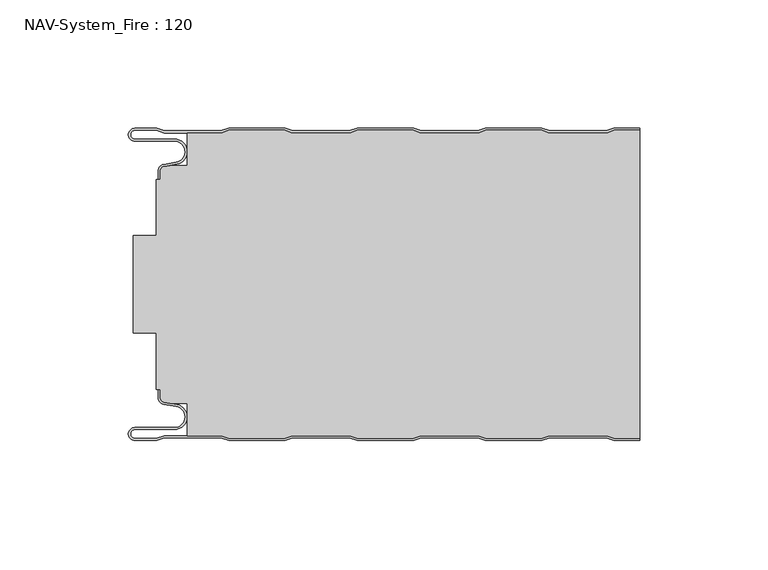
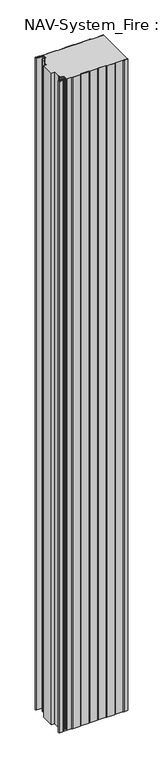
"""IFC4 building model written with IfcOpenShell, lengths in millimetres: plate geometry, NAV-System_Fire : 120."""

from ifc_helpers import new_model, si_unit, point, frame, frame_2d, origin, origin_with_axes, place, context, project, spatial, polyline, circle_curve, trimmed, segment, composite_curve, outline, extrude, source, transform, mapped, element, save
from ifc_brep_helpers import plane_surface, cylinder_surface, revolved_surface, advanced_brep


def nav_system_fire_120_9a84f2b2(model_context):
    return source(origin(), model_context, "Body", "SolidModel", [
        extrude(outline(composite_curve([segment(polyline([(89.6298221, -120.8), (86.6298221, -119.8), (64.3701779, -119.8), (61.3701779, -120.8), (39.6298221, -120.8), (36.6298221, -119.8), (14.3701779, -119.8), (11.3701779, -120.8), (-10.3701779, -120.8), (-13.3701779, -119.8), (-35.6298221, -119.8), (-38.6298221, -120.8), (-60.3701779, -120.8), (-63.3701779, -119.8), (-76.6602086, -119.8), (-76.6602086, -107.1656781), (-83.1774762, -107.1656781), (-85.6125665, -106.7363058)]), True, "CONTINUOUS"), segment(trimmed(circle_curve(frame_2d((-85.2999995, -104.963651)), 1.8000009), [point((-85.6125665, -106.7363058))], [point((-87.1000004, -104.963651))], False, "CARTESIAN"), True, "CONTINUOUS"), segment(polyline([(-87.1000004, -104.963651), (-87.1000004, -101.6488001), (-88.6500495, -101.6488001), (-88.6500495, -79.8), (-97.6527105, -79.8), (-97.6527105, -41.8), (-88.6502227, -41.8), (-88.6502227, -19.9512003), (-87.1000004, -19.9512003), (-87.1000004, -16.6387681)]), True, "CONTINUOUS"), segment(trimmed(circle_curve(frame_2d((-85.2999995, -16.6387681)), 1.8000009), [point((-87.1000004, -16.6387681))], [point((-85.6125665, -14.8661133))], False, "CARTESIAN"), True, "CONTINUOUS"), segment(polyline([(-85.6125665, -14.8661133), (-83.1774762, -14.436741), (-76.6602086, -14.436741), (-76.6602086, -1.8), (-63.3701779, -1.8), (-60.3701779, -0.8), (-38.6298221, -0.8), (-35.6298221, -1.8), (-13.3701779, -1.8), (-10.3701779, -0.8), (11.3701779, -0.8), (14.3701779, -1.8), (36.6298221, -1.8), (39.6298221, -0.8), (61.3701779, -0.8), (64.3701779, -1.8), (86.6298221, -1.8), (89.6298221, -0.8), (99.5, -0.8), (99.5, -120.8), (89.6298221, -120.8)]), True, "CONTINUOUS")], self_intersect=False)), origin_with_axes(), (0.0, 0.0, 1.0), 2000.0),
        advanced_brep(
        [(-88.6298221, -0.8, 0.0), (-97.0000001, -0.8, 0.0), (-97.0000001, -4.1999999, 0.0), (-81.6002086, -4.1999999, 0.0), (-80.7423864, -14.0049502, 0.0), (-85.6125665, -14.8636946, 0.0), (-87.1000004, -16.6363494, 0.0), (-87.1000014, -19.9421291, 0.0), (-87.9000014, -19.9421291, 0.0), (-87.9000014, -16.6363484, 0.0), (-85.7514853, -14.0758488, 0.0), (-80.8813015, -13.217104, 0.0), (-81.600205, -4.9999999, 0.0), (-97.0000001, -4.9999999, 0.0), (-97.0000001, 0.0, 0.0), (-88.5, 0.0, 0.0), (-85.5, -1.0, 0.0), (-63.5, -1.0, 0.0), (-60.5, 0.0, 0.0), (-38.5, 0.0, 0.0), (-35.5, -1.0, 0.0), (-13.5, -1.0, 0.0), (-10.5, 0.0, 0.0), (11.5, 0.0, 0.0), (14.5, -1.0, 0.0), (36.5, -1.0, 0.0), (39.5, 0.0, 0.0), (61.5, 0.0, 0.0), (64.5, -1.0, 0.0), (86.5, -1.0, 0.0), (89.5, 0.0, 0.0), (99.5, 0.0, 0.0), (99.5, -0.8, 0.0), (89.6298221, -0.8, 0.0), (86.6298221, -1.8, 0.0), (64.3701779, -1.8, 0.0), (61.3701779, -0.8, 0.0), (39.6298221, -0.8, 0.0), (36.6298221, -1.8, 0.0), (14.3701779, -1.8, 0.0), (11.3701779, -0.8, 0.0), (-10.3701779, -0.8, 0.0), (-13.3701779, -1.8, 0.0), (-35.6298221, -1.8, 0.0), (-38.6298221, -0.8, 0.0), (-60.3701779, -0.8, 0.0), (-63.3701779, -1.8, 0.0), (-85.6298221, -1.8, 0.0), (-88.6298221, -0.8, 2000.0), (-85.6298221, -1.8, 2000.0), (-63.3701779, -1.8, 2000.0), (-60.3701779, -0.8, 2000.0), (-38.6298221, -0.8, 2000.0), (-35.6298221, -1.8, 2000.0), (-13.3701779, -1.8, 2000.0), (-10.3701779, -0.8, 2000.0), (11.3701779, -0.8, 2000.0), (14.3701779, -1.8, 2000.0), (36.6298221, -1.8, 2000.0), (39.6298221, -0.8, 2000.0), (61.3701779, -0.8, 2000.0), (64.3701779, -1.8, 2000.0), (86.6298221, -1.8, 2000.0), (89.6298221, -0.8, 2000.0), (99.5, -0.8, 2000.0), (99.5, 0.0, 2000.0), (89.5, 0.0, 2000.0), (86.5, -1.0, 2000.0), (64.5, -1.0, 2000.0), (61.5, 0.0, 2000.0), (39.5, 0.0, 2000.0), (36.5, -1.0, 2000.0), (14.5, -1.0, 2000.0), (11.5, 0.0, 2000.0), (-10.5, 0.0, 2000.0), (-13.5, -1.0, 2000.0), (-35.5, -1.0, 2000.0), (-38.5, 0.0, 2000.0), (-60.5, 0.0, 2000.0), (-63.5, -1.0, 2000.0), (-85.5, -1.0, 2000.0), (-88.5, 0.0, 2000.0), (-97.0000001, 0.0, 2000.0), (-97.0000001, -4.9999999, 2000.0), (-81.600205, -4.9999999, 2000.0), (-80.8813015, -13.217104, 2000.0), (-85.7514853, -14.0758488, 2000.0), (-87.8999997, -16.6363484, 2000.0), (-87.9000014, -19.9421291, 2000.0), (-87.1000014, -19.9421291, 2000.0), (-87.1000014, -16.6363494, 2000.0), (-85.6125665, -14.8636946, 2000.0), (-80.7423864, -14.0049502, 2000.0), (-81.6002086, -4.1999999, 2000.0), (-97.0000001, -4.1999999, 2000.0), (-97.0000001, -0.8000002, 2000.0)],
        [
            (0, 1),
            (1, 2, circle_curve(frame((-97.0000001, -2.5, 0.0), z_axis=(0.0, 0.0, 1.0), x_axis=(1.0, 0.0, 0.0)), 1.6999999)),
            (2, 3),
            (3, 4, circle_curve(frame((-81.6002086, -9.1399999, 0.0), z_axis=(0.0, 0.0, -1.0), x_axis=(1.0, 0.0, 0.0)), 4.94)),
            (4, 5),
            (5, 6, circle_curve(frame((-85.2999995, -16.6363494, 0.0), z_axis=(0.0, 0.0, 1.0), x_axis=(1.0, 0.0, 0.0)), 1.8000009)),
            (6, 7),
            (7, 8),
            (8, 9),
            (9, 10, circle_curve(frame((-85.3000002, -16.6363484, 0.0), z_axis=(0.0, 0.0, -1.0), x_axis=(1.0, 0.0, 0.0)), 2.5999995)),
            (10, 11),
            (11, 12, circle_curve(frame((-81.600205, -9.1399999, 0.0), z_axis=(0.0, 0.0, 1.0), x_axis=(1.0, 0.0, 0.0)), 4.14)),
            (12, 13),
            (13, 14, circle_curve(frame((-97.0000001, -2.4999999, 0.0), z_axis=(0.0, 0.0, -1.0), x_axis=(1.0, 0.0, 0.0)), 2.4999999)),
            (14, 15),
            (15, 16),
            (16, 17),
            (17, 18),
            (18, 19),
            (19, 20),
            (20, 21),
            (21, 22),
            (22, 23),
            (23, 24),
            (24, 25),
            (25, 26),
            (26, 27),
            (27, 28),
            (28, 29),
            (29, 30),
            (30, 31),
            (31, 32),
            (32, 33),
            (33, 34),
            (34, 35),
            (35, 36),
            (36, 37),
            (37, 38),
            (38, 39),
            (39, 40),
            (40, 41),
            (41, 42),
            (42, 43),
            (43, 44),
            (44, 45),
            (45, 46),
            (46, 47),
            (47, 0),
            (48, 49),
            (49, 50),
            (50, 51),
            (51, 52),
            (52, 53),
            (53, 54),
            (54, 55),
            (55, 56),
            (56, 57),
            (57, 58),
            (58, 59),
            (59, 60),
            (60, 61),
            (61, 62),
            (62, 63),
            (63, 64),
            (64, 65),
            (65, 66),
            (66, 67),
            (67, 68),
            (68, 69),
            (69, 70),
            (70, 71),
            (71, 72),
            (72, 73),
            (73, 74),
            (74, 75),
            (75, 76),
            (76, 77),
            (77, 78),
            (78, 79),
            (79, 80),
            (80, 81),
            (81, 82),
            (82, 83, circle_curve(frame((-97.0000001, -2.4999999, 2000.0), z_axis=(0.0, 0.0, 1.0), x_axis=(1.0, 0.0, 0.0)), 2.4999999)),
            (83, 84),
            (84, 85, circle_curve(frame((-81.600205, -9.1399999, 2000.0), z_axis=(0.0, 0.0, -1.0), x_axis=(1.0, 0.0, 0.0)), 4.14)),
            (85, 86),
            (86, 87, circle_curve(frame((-85.3000002, -16.6363484, 2000.0), z_axis=(0.0, 0.0, 1.0), x_axis=(1.0, 0.0, 0.0)), 2.5999995)),
            (87, 88),
            (88, 89),
            (89, 90),
            (90, 91, circle_curve(frame((-85.2999995, -16.6363494, 2000.0), z_axis=(0.0, 0.0, -1.0), x_axis=(1.0, 0.0, 0.0)), 1.8000009)),
            (91, 92),
            (92, 93, circle_curve(frame((-81.6002086, -9.1399999, 2000.0), z_axis=(0.0, 0.0, 1.0), x_axis=(1.0, 0.0, 0.0)), 4.94)),
            (93, 94),
            (94, 95, circle_curve(frame((-97.0000001, -2.5, 2000.0), z_axis=(0.0, 0.0, -1.0), x_axis=(1.0, 0.0, 0.0)), 1.6999999)),
            (95, 48),
            (0, 48),
            (95, 1),
            (14, 82),
            (81, 15),
            (63, 33),
            (32, 64),
            (62, 34),
            (61, 35),
            (60, 36),
            (59, 37),
            (58, 38),
            (57, 39),
            (56, 40),
            (55, 41),
            (54, 42),
            (53, 43),
            (52, 44),
            (51, 45),
            (50, 46),
            (49, 47),
            (80, 16),
            (79, 17),
            (78, 18),
            (77, 19),
            (76, 20),
            (75, 21),
            (74, 22),
            (73, 23),
            (72, 24),
            (71, 25),
            (70, 26),
            (69, 27),
            (68, 28),
            (67, 29),
            (66, 30),
            (65, 31),
            (2, 94),
            (93, 3),
            (6, 90),
            (89, 7),
            (88, 8),
            (87, 9),
            (12, 84),
            (83, 13),
            (92, 4),
            (91, 5),
            (86, 10),
            (85, 11),
        ],
        [
            plane_surface(frame((-99.5, 0.0, 0.0), z_axis=(0.0, 0.0, -1.0), x_axis=(0.0, -1.0, 0.0))),
            plane_surface(frame((-99.5, 0.0, 2000.0), z_axis=(0.0, 0.0, 1.0), x_axis=(0.0, -1.0, 0.0))),
            plane_surface(frame((-88.6298221, -0.8, 0.0), z_axis=(0.0, -1.0, 0.0), x_axis=(0.0, 0.0, 1.0))),
            plane_surface(frame((-97.0000001, 0.0, 0.0), z_axis=(0.0, 1.0, 0.0), x_axis=(0.0, 0.0, 1.0))),
            plane_surface(frame((111.3701779, -0.8, 0.0), z_axis=(0.0, -1.0, 0.0), x_axis=(0.0, 0.0, 1.0))),
            plane_surface(frame((89.6298221, -0.8, 0.0), z_axis=(0.3162277660167413, -0.9486832980505461, 0.0), x_axis=(0.0, 0.0, 1.0))),
            plane_surface(frame((86.6298221, -1.8, 0.0), z_axis=(0.0, -1.0, 0.0), x_axis=(0.0, 0.0, 1.0))),
            plane_surface(frame((64.3701779, -1.8, 0.0), z_axis=(-0.31622776601675356, -0.948683298050542, 0.0), x_axis=(0.0, 0.0, 1.0))),
            plane_surface(frame((61.3701779, -0.8, 0.0), z_axis=(0.0, -1.0, 0.0), x_axis=(0.0, 0.0, 1.0))),
            plane_surface(frame((39.6298221, -0.8, 0.0), z_axis=(0.31622776601679226, -0.9486832980505291, 0.0), x_axis=(0.0, 0.0, 1.0))),
            plane_surface(frame((36.6298221, -1.8, 0.0), z_axis=(0.0, -1.0, 0.0), x_axis=(0.0, 0.0, 1.0))),
            plane_surface(frame((14.3701779, -1.8, 0.0), z_axis=(-0.3162277660168045, -0.948683298050525, 0.0), x_axis=(0.0, 0.0, 1.0))),
            plane_surface(frame((11.3701779, -0.8, 0.0), z_axis=(0.0, -1.0, 0.0), x_axis=(0.0, 0.0, 1.0))),
            plane_surface(frame((-10.3701779, -0.8, 0.0), z_axis=(0.31622776601679226, -0.9486832980505291, 0.0), x_axis=(0.0, 0.0, 1.0))),
            plane_surface(frame((-13.3701779, -1.8, 0.0), z_axis=(0.0, -1.0, 0.0), x_axis=(0.0, 0.0, 1.0))),
            plane_surface(frame((-35.6298221, -1.8, 0.0), z_axis=(-0.3162277660168045, -0.948683298050525, 0.0), x_axis=(0.0, 0.0, 1.0))),
            plane_surface(frame((-38.6298221, -0.8, 0.0), z_axis=(0.0, -1.0, 0.0), x_axis=(0.0, 0.0, 1.0))),
            plane_surface(frame((-60.3701779, -0.8, 0.0), z_axis=(0.3162277660167413, -0.9486832980505461, 0.0), x_axis=(0.0, 0.0, 1.0))),
            plane_surface(frame((-63.3701779, -1.8, 0.0), z_axis=(0.0, -1.0, 0.0), x_axis=(0.0, 0.0, 1.0))),
            plane_surface(frame((-85.6298221, -1.8, 0.0), z_axis=(-0.3162277660167413, -0.9486832980505461, 0.0), x_axis=(0.0, 0.0, 1.0))),
            plane_surface(frame((-88.5, 0.0, 0.0), z_axis=(0.31622776601671865, 0.9486832980505536, 0.0), x_axis=(0.0, 0.0, 1.0))),
            plane_surface(frame((-85.5, -1.0, 0.0), z_axis=(0.0, 1.0, 0.0), x_axis=(0.0, 0.0, 1.0))),
            plane_surface(frame((-63.5, -1.0, 0.0), z_axis=(-0.31622776601671865, 0.9486832980505536, 0.0), x_axis=(0.0, 0.0, 1.0))),
            plane_surface(frame((-60.5, 0.0, 0.0), z_axis=(0.0, 1.0, 0.0), x_axis=(0.0, 0.0, 1.0))),
            plane_surface(frame((-38.5, 0.0, 0.0), z_axis=(0.31622776601678754, 0.9486832980505306, 0.0), x_axis=(0.0, 0.0, 1.0))),
            plane_surface(frame((-35.5, -1.0, 0.0), z_axis=(0.0, 1.0, 0.0), x_axis=(0.0, 0.0, 1.0))),
            plane_surface(frame((-13.5, -1.0, 0.0), z_axis=(-0.3162277660167752, 0.9486832980505348, 0.0), x_axis=(0.0, 0.0, 1.0))),
            plane_surface(frame((-10.5, 0.0, 0.0), z_axis=(0.0, 1.0, 0.0), x_axis=(0.0, 0.0, 1.0))),
            plane_surface(frame((11.5, 0.0, 0.0), z_axis=(0.31622776601678754, 0.9486832980505306, 0.0), x_axis=(0.0, 0.0, 1.0))),
            plane_surface(frame((14.5, -1.0, 0.0), z_axis=(0.0, 1.0, 0.0), x_axis=(0.0, 0.0, 1.0))),
            plane_surface(frame((36.5, -1.0, 0.0), z_axis=(-0.3162277660167752, 0.9486832980505348, 0.0), x_axis=(0.0, 0.0, 1.0))),
            plane_surface(frame((39.5, 0.0, 0.0), z_axis=(0.0, 1.0, 0.0), x_axis=(0.0, 0.0, 1.0))),
            plane_surface(frame((61.5, 0.0, 0.0), z_axis=(0.3162277660167309, 0.9486832980505495, 0.0), x_axis=(0.0, 0.0, 1.0))),
            plane_surface(frame((64.5, -1.0, 0.0), z_axis=(0.0, 1.0, 0.0), x_axis=(0.0, 0.0, 1.0))),
            plane_surface(frame((86.5, -1.0, 0.0), z_axis=(-0.31622776601671865, 0.9486832980505536, 0.0), x_axis=(0.0, 0.0, 1.0))),
            plane_surface(frame((89.5, 0.0, 0.0), z_axis=(0.0, 1.0, 0.0), x_axis=(0.0, 0.0, 1.0))),
            plane_surface(frame((-97.0000001, -4.1999999, 0.0), z_axis=(0.0, 1.0, 0.0), x_axis=(0.0, 0.0, 1.0))),
            plane_surface(frame((-87.1000014, -16.6363494, 0.0), z_axis=(1.0, 0.0, 0.0), x_axis=(0.0, 0.0, 1.0))),
            plane_surface(frame((-87.1000014, -19.9421291, 0.0), z_axis=(0.0, -1.0, 0.0), x_axis=(0.0, 0.0, 1.0))),
            plane_surface(frame((-87.9000014, -19.9421291, 0.0), z_axis=(-1.0, 0.0, 0.0), x_axis=(0.0, 0.0, 1.0))),
            plane_surface(frame((-81.600205, -4.9999999, 0.0), z_axis=(0.0, -1.0, 0.0), x_axis=(0.0, 0.0, 1.0))),
            revolved_surface(polyline([(-95.3000002, -2.5, 2000.0), (-95.3000002, -2.5, 0.0)]), (-97.0000001, -2.5, 0.0), (0.0, 0.0, 1.0)),
            cylinder_surface(frame((-81.6002086, -9.1399999, 0.0), z_axis=(0.0, 0.0, -1.0), x_axis=(1.0, 0.0, 0.0)), 4.94),
            plane_surface(frame((-80.7423864, -14.0049502, 0.0), z_axis=(0.17364822279076972, -0.9848077450556567, 0.0), x_axis=(0.0, 0.0, 1.0))),
            revolved_surface(polyline([(-83.4999986, -16.6363494, 2000.0), (-83.4999986, -16.6363494, 0.0)]), (-85.2999995, -16.6363494, 0.0), (0.0, 0.0, 1.0)),
            cylinder_surface(frame((-85.3000002, -16.6363484, 0.0), z_axis=(0.0, 0.0, -1.0), x_axis=(1.0, 0.0, 0.0)), 2.5999995),
            plane_surface(frame((-85.7514853, -14.0758488, 0.0), z_axis=(-0.17364817295915452, 0.984807753842316, 0.0), x_axis=(0.0, 0.0, 1.0))),
            revolved_surface(polyline([(-77.460205, -9.1399999, 2000.0), (-77.460205, -9.1399999, 0.0)]), (-81.600205, -9.1399999, 0.0), (0.0, 0.0, 1.0)),
            cylinder_surface(frame((-97.0000001, -2.4999999, 0.0), z_axis=(0.0, 0.0, -1.0), x_axis=(1.0, 0.0, 0.0)), 2.4999999),
            plane_surface(frame((99.5, 100.0, 2000.0), z_axis=(1.0, 0.0, 0.0), x_axis=(0.0, 0.0, -1.0))),
        ],
        [
            (0, [[1, 2, 3, 4, 5, 6, 7, 8, 9, 10, 11, 12, 13, 14, 15, 16, 17, 18, 19, 20, 21, 22, 23, 24, 25, 26, 27, 28, 29, 30, 31, 32, 33, 34, 35, 36, 37, 38, 39, 40, 41, 42, 43, 44, 45, 46, 47, 48]]),
            (1, [[49, 50, 51, 52, 53, 54, 55, 56, 57, 58, 59, 60, 61, 62, 63, 64, 65, 66, 67, 68, 69, 70, 71, 72, 73, 74, 75, 76, 77, 78, 79, 80, 81, 82, 83, 84, 85, 86, 87, 88, 89, 90, 91, 92, 93, 94, 95, 96]]),
            (2, [[-1, 97, -96, 98]]),
            (3, [[-15, 99, -82, 100]]),
            (4, [[101, -33, 102, -64]]),
            (5, [[-34, -101, -63, 103]]),
            (6, [[-35, -103, -62, 104]]),
            (7, [[-36, -104, -61, 105]]),
            (8, [[-37, -105, -60, 106]]),
            (9, [[-38, -106, -59, 107]]),
            (10, [[-39, -107, -58, 108]]),
            (11, [[-40, -108, -57, 109]]),
            (12, [[-41, -109, -56, 110]]),
            (13, [[-42, -110, -55, 111]]),
            (14, [[-43, -111, -54, 112]]),
            (15, [[-44, -112, -53, 113]]),
            (16, [[-45, -113, -52, 114]]),
            (17, [[-46, -114, -51, 115]]),
            (18, [[-47, -115, -50, 116]]),
            (19, [[-48, -116, -49, -97]]),
            (20, [[-16, -100, -81, 117]]),
            (21, [[-17, -117, -80, 118]]),
            (22, [[-18, -118, -79, 119]]),
            (23, [[-19, -119, -78, 120]]),
            (24, [[-20, -120, -77, 121]]),
            (25, [[-21, -121, -76, 122]]),
            (26, [[-22, -122, -75, 123]]),
            (27, [[-23, -123, -74, 124]]),
            (28, [[-24, -124, -73, 125]]),
            (29, [[-25, -125, -72, 126]]),
            (30, [[-26, -126, -71, 127]]),
            (31, [[-27, -127, -70, 128]]),
            (32, [[-28, -128, -69, 129]]),
            (33, [[-29, -129, -68, 130]]),
            (34, [[-30, -130, -67, 131]]),
            (35, [[-131, -66, 132, -31]]),
            (36, [[-3, 133, -94, 134]]),
            (37, [[-7, 135, -90, 136]]),
            (38, [[-8, -136, -89, 137]]),
            (39, [[-9, -137, -88, 138]]),
            (40, [[-13, 139, -84, 140]]),
            (41, [[-2, -98, -95, -133]]),
            (42, [[-4, -134, -93, 141]]),
            (43, [[-5, -141, -92, 142]]),
            (44, [[-6, -142, -91, -135]]),
            (45, [[-10, -138, -87, 143]]),
            (46, [[-11, -143, -86, 144]]),
            (47, [[-12, -144, -85, -139]]),
            (48, [[-14, -140, -83, -99]]),
            (49, [[-32, -132, -65, -102]]),
        ],
    ),
        advanced_brep(
        [(-88.6298221, -120.8, 2000.0), (-97.0000001, -120.8, 2000.0), (-97.0000001, -117.4000001, 2000.0), (-81.6002086, -117.4000001, 2000.0), (-80.7423864, -107.5950498, 2000.0), (-85.6125665, -106.7363054, 2000.0), (-87.1000004, -104.9636506, 2000.0), (-87.1000014, -101.6578709, 2000.0), (-87.9000014, -101.6578709, 2000.0), (-87.9000014, -104.9636516, 2000.0), (-85.7514853, -107.5241512, 2000.0), (-80.8813015, -108.382896, 2000.0), (-81.600205, -116.6000001, 2000.0), (-97.0000001, -116.6000001, 2000.0), (-97.0000001, -121.6, 2000.0), (-88.5, -121.6, 2000.0), (-85.5, -120.6, 2000.0), (-63.5, -120.6, 2000.0), (-60.5, -121.6, 2000.0), (-38.5, -121.6, 2000.0), (-35.5, -120.6, 2000.0), (-13.5, -120.6, 2000.0), (-10.5, -121.6, 2000.0), (11.5, -121.6, 2000.0), (14.5, -120.6, 2000.0), (36.5, -120.6, 2000.0), (39.5, -121.6, 2000.0), (61.5, -121.6, 2000.0), (64.5, -120.6, 2000.0), (86.5, -120.6, 2000.0), (89.5, -121.6, 2000.0), (99.5, -121.6, 2000.0), (99.5, -120.8, 2000.0), (89.6298221, -120.8, 2000.0), (86.6298221, -119.8, 2000.0), (64.3701779, -119.8, 2000.0), (61.3701779, -120.8, 2000.0), (39.6298221, -120.8, 2000.0), (36.6298221, -119.8, 2000.0), (14.3701779, -119.8, 2000.0), (11.3701779, -120.8, 2000.0), (-10.3701779, -120.8, 2000.0), (-13.3701779, -119.8, 2000.0), (-35.6298221, -119.8, 2000.0), (-38.6298221, -120.8, 2000.0), (-60.3701779, -120.8, 2000.0), (-63.3701779, -119.8, 2000.0), (-85.6298221, -119.8, 2000.0), (-88.6298221, -120.8, 0.0), (-85.6298221, -119.8, 0.0), (-63.3701779, -119.8, 0.0), (-60.3701779, -120.8, 0.0), (-38.6298221, -120.8, 0.0), (-35.6298221, -119.8, 0.0), (-13.3701779, -119.8, 0.0), (-10.3701779, -120.8, 0.0), (11.3701779, -120.8, 0.0), (14.3701779, -119.8, 0.0), (36.6298221, -119.8, 0.0), (39.6298221, -120.8, 0.0), (61.3701779, -120.8, 0.0), (64.3701779, -119.8, 0.0), (86.6298221, -119.8, 0.0), (89.6298221, -120.8, 0.0), (99.5, -120.8, 0.0), (99.5, -121.6, 0.0), (89.5, -121.6, 0.0), (86.5, -120.6, 0.0), (64.5, -120.6, 0.0), (61.5, -121.6, 0.0), (39.5, -121.6, 0.0), (36.5, -120.6, 0.0), (14.5, -120.6, 0.0), (11.5, -121.6, 0.0), (-10.5, -121.6, 0.0), (-13.5, -120.6, 0.0), (-35.5, -120.6, 0.0), (-38.5, -121.6, 0.0), (-60.5, -121.6, 0.0), (-63.5, -120.6, 0.0), (-85.5, -120.6, 0.0), (-88.5, -121.6, 0.0), (-97.0000001, -121.6, 0.0), (-97.0000001, -116.6000001, 0.0), (-81.600205, -116.6000001, 0.0), (-80.8813015, -108.382896, 0.0), (-85.7514853, -107.5241512, 0.0), (-87.8999997, -104.9636516, 0.0), (-87.9000014, -101.6578709, 0.0), (-87.1000014, -101.6578709, 0.0), (-87.1000014, -104.9636506, 0.0), (-85.6125665, -106.7363054, 0.0), (-80.7423864, -107.5950498, 0.0), (-81.6002086, -117.4000001, 0.0), (-97.0000001, -117.4000001, 0.0), (-97.0000001, -120.7999998, 0.0)],
        [
            (0, 1),
            (1, 2, circle_curve(frame((-97.0000001, -119.1, 2000.0), z_axis=(0.0, 0.0, -1.0), x_axis=(1.0, 0.0, 0.0)), 1.6999999)),
            (2, 3),
            (3, 4, circle_curve(frame((-81.6002086, -112.4600001, 2000.0), z_axis=(0.0, 0.0, 1.0), x_axis=(1.0, 0.0, 0.0)), 4.94)),
            (4, 5),
            (5, 6, circle_curve(frame((-85.2999995, -104.9636506, 2000.0), z_axis=(0.0, 0.0, -1.0), x_axis=(1.0, 0.0, 0.0)), 1.8000009)),
            (6, 7),
            (7, 8),
            (8, 9),
            (9, 10, circle_curve(frame((-85.3000002, -104.9636516, 2000.0), z_axis=(0.0, 0.0, 1.0), x_axis=(1.0, 0.0, 0.0)), 2.5999995)),
            (10, 11),
            (11, 12, circle_curve(frame((-81.600205, -112.4600001, 2000.0), z_axis=(0.0, 0.0, -1.0), x_axis=(1.0, 0.0, 0.0)), 4.14)),
            (12, 13),
            (13, 14, circle_curve(frame((-97.0000001, -119.1000001, 2000.0), z_axis=(0.0, 0.0, 1.0), x_axis=(1.0, 0.0, 0.0)), 2.4999999)),
            (14, 15),
            (15, 16),
            (16, 17),
            (17, 18),
            (18, 19),
            (19, 20),
            (20, 21),
            (21, 22),
            (22, 23),
            (23, 24),
            (24, 25),
            (25, 26),
            (26, 27),
            (27, 28),
            (28, 29),
            (29, 30),
            (30, 31),
            (31, 32),
            (32, 33),
            (33, 34),
            (34, 35),
            (35, 36),
            (36, 37),
            (37, 38),
            (38, 39),
            (39, 40),
            (40, 41),
            (41, 42),
            (42, 43),
            (43, 44),
            (44, 45),
            (45, 46),
            (46, 47),
            (47, 0),
            (48, 49),
            (49, 50),
            (50, 51),
            (51, 52),
            (52, 53),
            (53, 54),
            (54, 55),
            (55, 56),
            (56, 57),
            (57, 58),
            (58, 59),
            (59, 60),
            (60, 61),
            (61, 62),
            (62, 63),
            (63, 64),
            (64, 65),
            (65, 66),
            (66, 67),
            (67, 68),
            (68, 69),
            (69, 70),
            (70, 71),
            (71, 72),
            (72, 73),
            (73, 74),
            (74, 75),
            (75, 76),
            (76, 77),
            (77, 78),
            (78, 79),
            (79, 80),
            (80, 81),
            (81, 82),
            (82, 83, circle_curve(frame((-97.0000001, -119.1000001, 0.0), z_axis=(0.0, 0.0, -1.0), x_axis=(1.0, 0.0, 0.0)), 2.4999999)),
            (83, 84),
            (84, 85, circle_curve(frame((-81.600205, -112.4600001, 0.0), z_axis=(0.0, 0.0, 1.0), x_axis=(1.0, 0.0, 0.0)), 4.14)),
            (85, 86),
            (86, 87, circle_curve(frame((-85.3000002, -104.9636516, 0.0), z_axis=(0.0, 0.0, -1.0), x_axis=(1.0, 0.0, 0.0)), 2.5999995)),
            (87, 88),
            (88, 89),
            (89, 90),
            (90, 91, circle_curve(frame((-85.2999995, -104.9636506, 0.0), z_axis=(0.0, 0.0, 1.0), x_axis=(1.0, 0.0, 0.0)), 1.8000009)),
            (91, 92),
            (92, 93, circle_curve(frame((-81.6002086, -112.4600001, 0.0), z_axis=(0.0, 0.0, -1.0), x_axis=(1.0, 0.0, 0.0)), 4.94)),
            (93, 94),
            (94, 95, circle_curve(frame((-97.0000001, -119.1, 0.0), z_axis=(0.0, 0.0, 1.0), x_axis=(1.0, 0.0, 0.0)), 1.6999999)),
            (95, 48),
            (14, 82),
            (81, 15),
            (0, 48),
            (95, 1),
            (63, 33),
            (32, 64),
            (62, 34),
            (61, 35),
            (60, 36),
            (59, 37),
            (58, 38),
            (57, 39),
            (56, 40),
            (55, 41),
            (54, 42),
            (53, 43),
            (52, 44),
            (51, 45),
            (50, 46),
            (49, 47),
            (80, 16),
            (79, 17),
            (78, 18),
            (77, 19),
            (76, 20),
            (75, 21),
            (74, 22),
            (73, 23),
            (72, 24),
            (71, 25),
            (70, 26),
            (69, 27),
            (68, 28),
            (67, 29),
            (66, 30),
            (65, 31),
            (2, 94),
            (93, 3),
            (6, 90),
            (89, 7),
            (88, 8),
            (87, 9),
            (12, 84),
            (83, 13),
            (92, 4),
            (91, 5),
            (86, 10),
            (85, 11),
        ],
        [
            plane_surface(frame((-99.5, -121.6, 2000.0), z_axis=(0.0, 0.0, 1.0), x_axis=(-1.0, 0.0, 0.0))),
            plane_surface(frame((-99.5, -121.6, 0.0), z_axis=(0.0, 0.0, -1.0), x_axis=(-1.0, 0.0, 0.0))),
            plane_surface(frame((-97.0000001, -121.6, 2000.0), z_axis=(0.0, -1.0, 0.0), x_axis=(0.0, 0.0, -1.0))),
            plane_surface(frame((-88.6298221, -120.8, 2000.0), z_axis=(0.0, 1.0, 0.0), x_axis=(0.0, 0.0, -1.0))),
            plane_surface(frame((111.3701779, -120.8, 2000.0), z_axis=(0.0, 1.0, 0.0), x_axis=(0.0, 0.0, -1.0))),
            plane_surface(frame((89.6298221, -120.8, 2000.0), z_axis=(0.3162277660167412, 0.9486832980505461, 0.0), x_axis=(0.0, 0.0, -1.0))),
            plane_surface(frame((86.6298221, -119.8, 2000.0), z_axis=(0.0, 1.0, 0.0), x_axis=(0.0, 0.0, -1.0))),
            plane_surface(frame((64.3701779, -119.8, 2000.0), z_axis=(-0.3162277660167537, 0.948683298050542, 0.0), x_axis=(0.0, 0.0, -1.0))),
            plane_surface(frame((61.3701779, -120.8, 2000.0), z_axis=(0.0, 1.0, 0.0), x_axis=(0.0, 0.0, -1.0))),
            plane_surface(frame((39.6298221, -120.8, 2000.0), z_axis=(0.31622776601679214, 0.9486832980505291, 0.0), x_axis=(0.0, 0.0, -1.0))),
            plane_surface(frame((36.6298221, -119.8, 2000.0), z_axis=(0.0, 1.0, 0.0), x_axis=(0.0, 0.0, -1.0))),
            plane_surface(frame((14.3701779, -119.8, 2000.0), z_axis=(-0.31622776601680463, 0.948683298050525, 0.0), x_axis=(0.0, 0.0, -1.0))),
            plane_surface(frame((11.3701779, -120.8, 2000.0), z_axis=(0.0, 1.0, 0.0), x_axis=(0.0, 0.0, -1.0))),
            plane_surface(frame((-10.3701779, -120.8, 2000.0), z_axis=(0.31622776601679214, 0.9486832980505291, 0.0), x_axis=(0.0, 0.0, -1.0))),
            plane_surface(frame((-13.3701779, -119.8, 2000.0), z_axis=(0.0, 1.0, 0.0), x_axis=(0.0, 0.0, -1.0))),
            plane_surface(frame((-35.6298221, -119.8, 2000.0), z_axis=(-0.31622776601680463, 0.948683298050525, 0.0), x_axis=(0.0, 0.0, -1.0))),
            plane_surface(frame((-38.6298221, -120.8, 2000.0), z_axis=(0.0, 1.0, 0.0), x_axis=(0.0, 0.0, -1.0))),
            plane_surface(frame((-60.3701779, -120.8, 2000.0), z_axis=(0.3162277660167412, 0.9486832980505461, 0.0), x_axis=(0.0, 0.0, -1.0))),
            plane_surface(frame((-63.3701779, -119.8, 2000.0), z_axis=(0.0, 1.0, 0.0), x_axis=(0.0, 0.0, -1.0))),
            plane_surface(frame((-85.6298221, -119.8, 2000.0), z_axis=(-0.3162277660167414, 0.9486832980505461, 0.0), x_axis=(0.0, 0.0, -1.0))),
            plane_surface(frame((-88.5, -121.6, 2000.0), z_axis=(0.31622776601671876, -0.9486832980505536, 0.0), x_axis=(0.0, 0.0, -1.0))),
            plane_surface(frame((-85.5, -120.6, 2000.0), z_axis=(0.0, -1.0, 0.0), x_axis=(0.0, 0.0, -1.0))),
            plane_surface(frame((-63.5, -120.6, 2000.0), z_axis=(-0.31622776601671854, -0.9486832980505536, 0.0), x_axis=(0.0, 0.0, -1.0))),
            plane_surface(frame((-60.5, -121.6, 2000.0), z_axis=(0.0, -1.0, 0.0), x_axis=(0.0, 0.0, -1.0))),
            plane_surface(frame((-38.5, -121.6, 2000.0), z_axis=(0.31622776601678765, -0.9486832980505306, 0.0), x_axis=(0.0, 0.0, -1.0))),
            plane_surface(frame((-35.5, -120.6, 2000.0), z_axis=(0.0, -1.0, 0.0), x_axis=(0.0, 0.0, -1.0))),
            plane_surface(frame((-13.5, -120.6, 2000.0), z_axis=(-0.3162277660167751, -0.9486832980505348, 0.0), x_axis=(0.0, 0.0, -1.0))),
            plane_surface(frame((-10.5, -121.6, 2000.0), z_axis=(0.0, -1.0, 0.0), x_axis=(0.0, 0.0, -1.0))),
            plane_surface(frame((11.5, -121.6, 2000.0), z_axis=(0.31622776601678765, -0.9486832980505306, 0.0), x_axis=(0.0, 0.0, -1.0))),
            plane_surface(frame((14.5, -120.6, 2000.0), z_axis=(0.0, -1.0, 0.0), x_axis=(0.0, 0.0, -1.0))),
            plane_surface(frame((36.5, -120.6, 2000.0), z_axis=(-0.3162277660167751, -0.9486832980505348, 0.0), x_axis=(0.0, 0.0, -1.0))),
            plane_surface(frame((39.5, -121.6, 2000.0), z_axis=(0.0, -1.0, 0.0), x_axis=(0.0, 0.0, -1.0))),
            plane_surface(frame((61.5, -121.6, 2000.0), z_axis=(0.316227766016731, -0.9486832980505495, 0.0), x_axis=(0.0, 0.0, -1.0))),
            plane_surface(frame((64.5, -120.6, 2000.0), z_axis=(0.0, -1.0, 0.0), x_axis=(0.0, 0.0, -1.0))),
            plane_surface(frame((86.5, -120.6, 2000.0), z_axis=(-0.31622776601671854, -0.9486832980505536, 0.0), x_axis=(0.0, 0.0, -1.0))),
            plane_surface(frame((89.5, -121.6, 2000.0), z_axis=(0.0, -1.0, 0.0), x_axis=(0.0, 0.0, -1.0))),
            plane_surface(frame((-97.0000001, -117.4000001, 2000.0), z_axis=(0.0, -1.0, 0.0), x_axis=(0.0, 0.0, -1.0))),
            plane_surface(frame((-87.1000014, -104.9636506, 2000.0), z_axis=(1.0, 0.0, 0.0), x_axis=(0.0, 0.0, -1.0))),
            plane_surface(frame((-87.1000014, -101.6578709, 2000.0), z_axis=(0.0, 1.0, 0.0), x_axis=(0.0, 0.0, -1.0))),
            plane_surface(frame((-87.9000014, -101.6578709, 2000.0), z_axis=(-1.0, 0.0, 0.0), x_axis=(0.0, 0.0, -1.0))),
            plane_surface(frame((-81.600205, -116.6000001, 2000.0), z_axis=(0.0, 1.0, 0.0), x_axis=(0.0, 0.0, -1.0))),
            revolved_surface(polyline([(-95.3000002, -119.1, 0.0), (-95.3000002, -119.1, 2000.0)]), (-97.0000001, -119.1, 2000.0), (0.0, 0.0, -1.0)),
            cylinder_surface(frame((-81.6002086, -112.4600001, 2000.0), z_axis=(0.0, 0.0, 1.0), x_axis=(1.0, 0.0, 0.0)), 4.94),
            plane_surface(frame((-80.7423864, -107.5950498, 2000.0), z_axis=(0.17364822279076958, 0.9848077450556567, 0.0), x_axis=(0.0, 0.0, -1.0))),
            revolved_surface(polyline([(-83.4999986, -104.9636506, 0.0), (-83.4999986, -104.9636506, 2000.0)]), (-85.2999995, -104.9636506, 2000.0), (0.0, 0.0, -1.0)),
            cylinder_surface(frame((-85.3000002, -104.9636516, 2000.0), z_axis=(0.0, 0.0, 1.0), x_axis=(1.0, 0.0, 0.0)), 2.5999995),
            plane_surface(frame((-85.7514853, -107.5241512, 2000.0), z_axis=(-0.17364817295915438, -0.984807753842316, 0.0), x_axis=(0.0, 0.0, -1.0))),
            revolved_surface(polyline([(-77.460205, -112.4600001, 0.0), (-77.460205, -112.4600001, 2000.0)]), (-81.600205, -112.4600001, 2000.0), (0.0, 0.0, -1.0)),
            cylinder_surface(frame((-97.0000001, -119.1000001, 2000.0), z_axis=(0.0, 0.0, 1.0), x_axis=(1.0, 0.0, 0.0)), 2.4999999),
            plane_surface(frame((99.5, 100.0, 2000.0), z_axis=(1.0, 0.0, 0.0), x_axis=(0.0, 0.0, -1.0))),
        ],
        [
            (0, [[1, 2, 3, 4, 5, 6, 7, 8, 9, 10, 11, 12, 13, 14, 15, 16, 17, 18, 19, 20, 21, 22, 23, 24, 25, 26, 27, 28, 29, 30, 31, 32, 33, 34, 35, 36, 37, 38, 39, 40, 41, 42, 43, 44, 45, 46, 47, 48]]),
            (1, [[49, 50, 51, 52, 53, 54, 55, 56, 57, 58, 59, 60, 61, 62, 63, 64, 65, 66, 67, 68, 69, 70, 71, 72, 73, 74, 75, 76, 77, 78, 79, 80, 81, 82, 83, 84, 85, 86, 87, 88, 89, 90, 91, 92, 93, 94, 95, 96]]),
            (2, [[-15, 97, -82, 98]]),
            (3, [[-1, 99, -96, 100]]),
            (4, [[101, -33, 102, -64]]),
            (5, [[-34, -101, -63, 103]]),
            (6, [[-35, -103, -62, 104]]),
            (7, [[-36, -104, -61, 105]]),
            (8, [[-37, -105, -60, 106]]),
            (9, [[-38, -106, -59, 107]]),
            (10, [[-39, -107, -58, 108]]),
            (11, [[-40, -108, -57, 109]]),
            (12, [[-41, -109, -56, 110]]),
            (13, [[-42, -110, -55, 111]]),
            (14, [[-43, -111, -54, 112]]),
            (15, [[-44, -112, -53, 113]]),
            (16, [[-45, -113, -52, 114]]),
            (17, [[-46, -114, -51, 115]]),
            (18, [[-47, -115, -50, 116]]),
            (19, [[-48, -116, -49, -99]]),
            (20, [[-16, -98, -81, 117]]),
            (21, [[-17, -117, -80, 118]]),
            (22, [[-18, -118, -79, 119]]),
            (23, [[-19, -119, -78, 120]]),
            (24, [[-20, -120, -77, 121]]),
            (25, [[-21, -121, -76, 122]]),
            (26, [[-22, -122, -75, 123]]),
            (27, [[-23, -123, -74, 124]]),
            (28, [[-24, -124, -73, 125]]),
            (29, [[-25, -125, -72, 126]]),
            (30, [[-26, -126, -71, 127]]),
            (31, [[-27, -127, -70, 128]]),
            (32, [[-28, -128, -69, 129]]),
            (33, [[-29, -129, -68, 130]]),
            (34, [[-30, -130, -67, 131]]),
            (35, [[-131, -66, 132, -31]]),
            (36, [[-3, 133, -94, 134]]),
            (37, [[-7, 135, -90, 136]]),
            (38, [[-8, -136, -89, 137]]),
            (39, [[-9, -137, -88, 138]]),
            (40, [[-13, 139, -84, 140]]),
            (41, [[-2, -100, -95, -133]]),
            (42, [[-4, -134, -93, 141]]),
            (43, [[-5, -141, -92, 142]]),
            (44, [[-6, -142, -91, -135]]),
            (45, [[-10, -138, -87, 143]]),
            (46, [[-11, -143, -86, 144]]),
            (47, [[-12, -144, -85, -139]]),
            (48, [[-14, -140, -83, -97]]),
            (49, [[-32, -132, -65, -102]]),
        ],
    ),
    ])


if __name__ == "__main__":
    model = new_model("IFC4")
    model_context = context("Model", 3, world=origin())
    ifc_project = project(units=[si_unit("LENGTHUNIT", "METRE", prefix="MILLI")], contexts=[model_context])
    site = spatial("IfcSite", under=ifc_project)
    building = spatial("IfcBuilding", under=site)
    placement = place(None, origin())
    nav_system_fire_120_shape = nav_system_fire_120_9a84f2b2(model_context)
    element("IfcPlate", 1, ObjectType="NAV-System_Fire : 120", at=placement, inside=building, context=model_context, shape_type="MappedRepresentation", body=[
        mapped(nav_system_fire_120_shape, transform((0.0, 0.0, 0.0), x_axis=(1.0, 0.0, 0.0), y_axis=(0.0, 1.0, 0.0), z_axis=(0.0, 0.0, 1.0))),
    ])
    save(model, "model.ifc")
